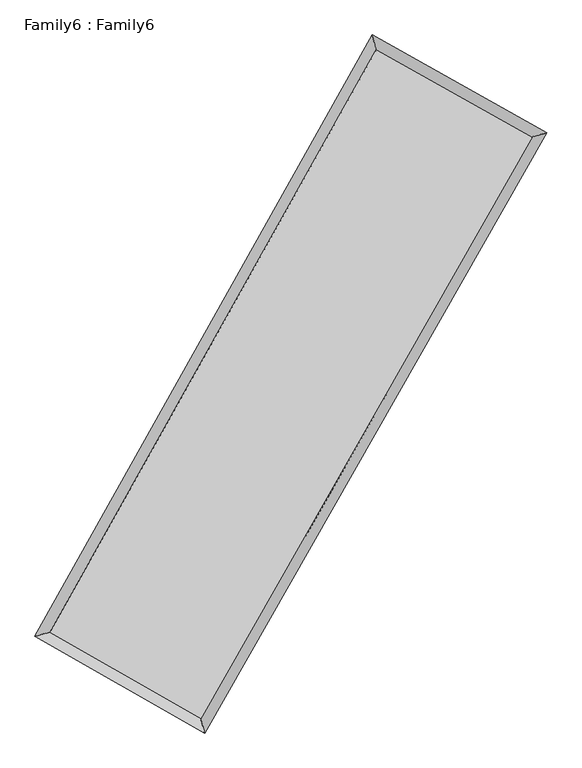
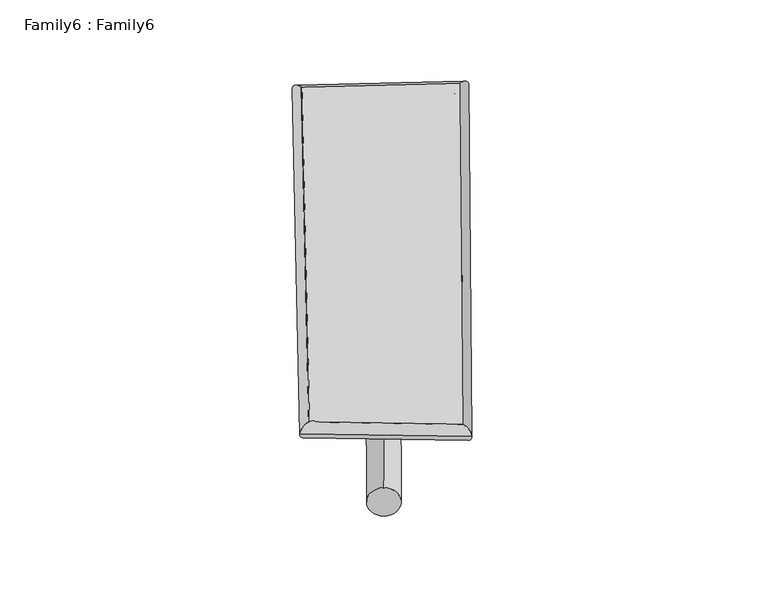
"""IFC4 building model written with IfcOpenShell, lengths in millimetres: plate geometry, Family6 : Family6."""

import ifcopenshell
import ifcopenshell.guid

model = None  # the IFC model being written
_history = None  # IfcOwnerHistory: only IFC2X3 demands one
_inside = {}  # id of a spatial element -> (the spatial element, [elements in it])
_under = {}  # id of a project, library or spatial element -> (it, [spatial elements below it])
_declared = {}  # id of a project -> (the project, [libraries it declares])
_typed = {}  # id of a type object -> (the type object, [elements of that type])
_made_of = {}  # id of a material, layer set ... -> (it, [elements and type objects made of it])


def new_model(schema):
    """Start an empty IFC model of exactly this schema.

    Asked for "IFC4X3", IfcOpenShell would pick the latest addendum, in which some entities
    have other attributes; the version numbers below select the first issue.
    IFC2X3 requires an IfcOwnerHistory on every rooted entity: one is made here for all.
    """
    global model, _history
    if schema == "IFC4X3":
        model = ifcopenshell.file(schema_version=(4, 3, 0, 0))
    else:
        model = ifcopenshell.file(schema=schema)
    _inside.clear()
    _under.clear()
    _declared.clear()
    _typed.clear()
    _made_of.clear()
    _history = None
    if model.schema == "IFC2X3":
        org = make("IfcOrganization", Name="unknown")
        user = make(
            "IfcPersonAndOrganization",
            ThePerson=make("IfcPerson", FamilyName="unknown"),
            TheOrganization=org,
        )
        app = make(
            "IfcApplication",
            ApplicationDeveloper=org,
            Version="unknown",
            ApplicationFullName="unknown",
            ApplicationIdentifier="unknown",
        )
        _history = make(
            "IfcOwnerHistory",
            OwningUser=user,
            OwningApplication=app,
            ChangeAction="ADDED",
            CreationDate=0,
        )
    return model


def make(cls, **values):
    """One entity of the class cls with the attributes given. An attribute that is None is left unset."""
    return model.create_entity(
        cls, **{name: value for name, value in values.items() if value is not None}
    )


def rooted(cls, **values):
    """An entity with a GlobalId (a new one), such as an element, a storey or a relation."""
    return make(cls, GlobalId=ifcopenshell.guid.new(), OwnerHistory=_history, **values)


def si_unit(unit_type, name, prefix=None):
    """IfcSIUnit, for example si_unit("LENGTHUNIT", "METRE", prefix="MILLI")."""
    return make("IfcSIUnit", UnitType=unit_type, Prefix=prefix, Name=name)


def assignment(units):
    """IfcUnitAssignment: the units of a project."""
    return None if units is None else make("IfcUnitAssignment", Units=units)


def point(xyz):
    """IfcCartesianPoint."""
    return None if xyz is None else make("IfcCartesianPoint", Coordinates=xyz)


def direction(xyz):
    """IfcDirection."""
    return None if xyz is None else make("IfcDirection", DirectionRatios=xyz)


def frame(location, z_axis=None, x_axis=None):
    """IfcAxis2Placement3D, a coordinate frame: its origin and axes. An axis left out is left unset."""
    return make(
        "IfcAxis2Placement3D",
        Location=point(location),
        Axis=direction(z_axis),
        RefDirection=direction(x_axis),
    )


def frame_2d(location, x_axis=None):
    """IfcAxis2Placement2D, a coordinate frame in the plane: its origin and x axis."""
    return make(
        "IfcAxis2Placement2D", Location=point(location), RefDirection=direction(x_axis)
    )


def origin():
    """The frame at (0, 0, 0) with its axes left unset."""
    return frame((0.0, 0.0, 0.0))


def origin_2d():
    """The frame at (0, 0) in the plane with its x axis left unset."""
    return frame_2d((0.0, 0.0))


def place(relative_to, where):
    """IfcLocalPlacement: puts the frame where relative to a parent placement (None: the world)."""
    return make(
        "IfcLocalPlacement", PlacementRelTo=relative_to, RelativePlacement=where
    )


def context(
    kind, dimensions, precision=None, world=None, true_north=None, identifier=None
):
    """IfcGeometricRepresentationContext, for example the 3D "Model" context."""
    return make(
        "IfcGeometricRepresentationContext",
        ContextIdentifier=identifier,
        ContextType=kind,
        CoordinateSpaceDimension=dimensions,
        Precision=precision,
        WorldCoordinateSystem=world,
        TrueNorth=true_north,
    )


def project(units=None, contexts=None):
    """IfcProject with its units and contexts."""
    return rooted(
        "IfcProject",
        Name="project",
        RepresentationContexts=contexts,
        UnitsInContext=assignment(units),
    )


def spatial(cls, under=None, at=None, **own):
    """A site, building, storey or space (cls), placed at a placement, below another one or the project."""
    s = rooted(cls, ObjectPlacement=at, **own)
    if under is not None:
        _under.setdefault(under.id(), (under, []))[1].append(s)
    return s


def circle_curve(where, radius):
    """IfcCircle in the frame where."""
    return make("IfcCircle", Position=where, Radius=radius)


def ellipse_curve(where, semi_axis1, semi_axis2):
    """IfcEllipse in the frame where."""
    return make(
        "IfcEllipse", Position=where, SemiAxis1=semi_axis1, SemiAxis2=semi_axis2
    )


def trimmed(basis, trim1, trim2, sense, master):
    """IfcTrimmedCurve: the piece of a basis curve between two trims."""
    return make(
        "IfcTrimmedCurve",
        BasisCurve=basis,
        Trim1=trim1,
        Trim2=trim2,
        SenseAgreement=sense,
        MasterRepresentation=master,
    )


def segment(curve, same_sense, transition):
    """IfcCompositeCurveSegment."""
    return make(
        "IfcCompositeCurveSegment",
        Transition=transition,
        SameSense=same_sense,
        ParentCurve=curve,
    )


def composite_curve(segments, self_intersect=None):
    """IfcCompositeCurve: segments joined end to end."""
    return make("IfcCompositeCurve", Segments=segments, SelfIntersect=self_intersect)


def outline(outer, holes=None, kind="AREA"):
    """IfcArbitraryClosedProfileDef: a profile drawn as a closed curve; with holes, ...WithVoids."""
    if holes is None:
        return make("IfcArbitraryClosedProfileDef", ProfileType=kind, OuterCurve=outer)
    return make(
        "IfcArbitraryProfileDefWithVoids",
        ProfileType=kind,
        OuterCurve=outer,
        InnerCurves=holes,
    )


def extrude(swept, where, along, depth):
    """IfcExtrudedAreaSolid: the profile swept, set in the frame where, extruded along a direction by depth."""
    return make(
        "IfcExtrudedAreaSolid",
        SweptArea=swept,
        Position=where,
        ExtrudedDirection=direction(along),
        Depth=depth,
    )


def shape(context_of_items, identifier, shape_type, items):
    """IfcShapeRepresentation: the items that make up one representation, for example the "Body"."""
    return make(
        "IfcShapeRepresentation",
        ContextOfItems=context_of_items,
        RepresentationIdentifier=identifier,
        RepresentationType=shape_type,
        Items=items,
    )


def source(mapping_origin, context_of_items, identifier, shape_type, items):
    """IfcRepresentationMap: a shape defined once, which mapped items show again and again."""
    return make(
        "IfcRepresentationMap",
        MappingOrigin=mapping_origin,
        MappedRepresentation=shape(context_of_items, identifier, shape_type, items),
    )


def transform(
    local_origin,
    x_axis=None,
    y_axis=None,
    z_axis=None,
    scale=None,
    scale2=None,
    scale3=None,
    uniform=True,
):
    """IfcCartesianTransformationOperator3D, or its non-uniform kind. x_axis, y_axis, z_axis: its Axis1, 2, 3."""
    if uniform:
        return make(
            "IfcCartesianTransformationOperator3D",
            Axis1=direction(x_axis),
            Axis2=direction(y_axis),
            LocalOrigin=point(local_origin),
            Scale=scale,
            Axis3=direction(z_axis),
        )
    return make(
        "IfcCartesianTransformationOperator3DnonUniform",
        Axis1=direction(x_axis),
        Axis2=direction(y_axis),
        LocalOrigin=point(local_origin),
        Scale=scale,
        Axis3=direction(z_axis),
        Scale2=scale2,
        Scale3=scale3,
    )


def mapped(mapping_source, mapping_target):
    """IfcMappedItem: shows the shape of a source again, moved by a transform."""
    return make(
        "IfcMappedItem", MappingSource=mapping_source, MappingTarget=mapping_target
    )


def made_of(thing, what):
    """Note that an element or type object is made of a material, layer set ...; save() writes the relation."""
    if what is not None:
        _made_of.setdefault(what.id(), (what, []))[1].append(thing)
    return thing


def element(
    cls,
    number,
    at=None,
    inside=None,
    cuts=None,
    type_object=None,
    material=None,
    context=None,
    identifier="Body",
    shape_type=None,
    held_by="IfcProductDefinitionShape",
    body=None,
    shapes=None,
    **own,
):
    """One element of the class cls, such as IfcWall. Its Tag is "e" and its number.

    at: its placement. inside: the storey or other place that contains it. cuts: it is an
    opening in that element (IfcRelVoidsElement). A single representation is given by context,
    identifier, shape_type and body (its items); several are given by shapes. held_by: the class
    of the entity that holds the representations. save() writes the other relations.
    """
    e = rooted(cls, Tag="e%d" % number, ObjectPlacement=at, **own)
    if body is not None:
        shapes = [shape(context, identifier, shape_type, body)]
    if shapes is not None:
        e.Representation = make(held_by, Representations=shapes)
    if inside is not None:
        _inside.setdefault(inside.id(), (inside, []))[1].append(e)
    if cuts is not None:
        rooted(
            "IfcRelVoidsElement", RelatingBuildingElement=cuts, RelatedOpeningElement=e
        )
    if type_object is not None:
        _typed.setdefault(type_object.id(), (type_object, []))[1].append(e)
    return made_of(e, material)


def aggregate(whole, parts):
    """IfcRelAggregates: a whole, such as a stair, and the parts it consists of."""
    return rooted("IfcRelAggregates", RelatingObject=whole, RelatedObjects=parts)


def save(model, path):
    """Write the relations noted so far, then the file.

    IfcRelAggregates (storeys below a building ...), IfcRelContainedInSpatialStructure (elements
    in a storey), IfcRelDefinesByType, IfcRelAssociatesMaterial and IfcRelDeclares: one each for
    every whole, place, type object, material and project.
    """
    for whole, parts in _under.values():
        aggregate(whole, parts)
    for where, things in _inside.values():
        rooted(
            "IfcRelContainedInSpatialStructure",
            RelatedElements=things,
            RelatingStructure=where,
        )
    for kind, things in _typed.values():
        rooted("IfcRelDefinesByType", RelatedObjects=things, RelatingType=kind)
    for what, things in _made_of.values():
        rooted("IfcRelAssociatesMaterial", RelatedObjects=things, RelatingMaterial=what)
    for by, libraries in _declared.values():
        rooted("IfcRelDeclares", RelatingContext=by, RelatedDefinitions=libraries)
    model.write(path)


def plane_surface(at):
    """IfcPlane: the flat surface through the origin of the frame at, square to its z axis."""
    return make("IfcPlane", Position=at)


def cylinder_surface(at, radius):
    """IfcCylindricalSurface: all points at the distance radius from the z axis of the frame at."""
    return make("IfcCylindricalSurface", Position=at, Radius=radius)


def spline_surface(u_degree, v_degree, points, u_multiplicities, v_multiplicities, u_knots, v_knots, weights=None):
    """IfcBSplineSurfaceWithKnots; with weights, IfcRationalBSplineSurfaceWithKnots. points: one row for each step in u."""
    own = dict(
        UDegree=u_degree,
        VDegree=v_degree,
        ControlPointsList=[[point(p) for p in row] for row in points],
        SurfaceForm="UNSPECIFIED",
        UClosed=False,
        VClosed=False,
        SelfIntersect=False,
        UMultiplicities=u_multiplicities,
        VMultiplicities=v_multiplicities,
        UKnots=u_knots,
        VKnots=v_knots,
        KnotSpec="UNSPECIFIED",
    )
    if weights is None:
        return make("IfcBSplineSurfaceWithKnots", **own)
    return make("IfcRationalBSplineSurfaceWithKnots", WeightsData=weights, **own)


def advanced_brep(points, edges, surfaces, faces):
    """IfcAdvancedBrep: a solid bounded by faces that lie on surfaces and meet in shared edges.

    An edge is (start, end): straight between two places in points (the first is 0);
    or (start, end, curve); or (start, end, curve, False) where it runs against its curve.
    A face is (place in surfaces, loops), or (place, loops, False) where it looks against
    its surface's normal. A loop lists edges by number (the first is 1), with a minus sign
    where the edge is run from its end to its start. The first loop is the outer one.
    """
    corners = [point(p) for p in points]
    vertices = [make("IfcVertexPoint", VertexGeometry=c) for c in corners]
    made = []
    for start, end, *more in edges:
        made.append(
            make(
                "IfcEdgeCurve",
                EdgeStart=vertices[start],
                EdgeEnd=vertices[end],
                EdgeGeometry=more[0] if more else make("IfcPolyline", Points=[corners[start], corners[end]]),
                SameSense=more[1] if len(more) > 1 else True,
            )
        )
    hull = []
    for where, loops, *sense in faces:
        bounds = []
        for j, loop in enumerate(loops):
            ring = [make("IfcOrientedEdge", EdgeElement=made[abs(k) - 1], Orientation=k > 0) for k in loop]
            bounds.append(
                make(
                    "IfcFaceOuterBound" if j == 0 else "IfcFaceBound",
                    Bound=make("IfcEdgeLoop", EdgeList=ring),
                    Orientation=True,
                )
            )
        hull.append(make("IfcAdvancedFace", Bounds=bounds, FaceSurface=surfaces[where], SameSense=sense[0] if sense else True))
    return make("IfcAdvancedBrep", Outer=make("IfcClosedShell", CfsFaces=hull))


def family6_family6_98619f19(model_context):
    return source(origin(), model_context, "Body", "SolidModel", [
        extrude(outline(composite_curve([segment(trimmed(circle_curve(origin_2d(), 76.2), [point((-75.4341514, -10.7763073))], [point((75.4341514, 10.7763073))], False, "CARTESIAN"), True, "CONTINUOUS"), segment(trimmed(circle_curve(origin_2d(), 76.2), [point((75.4341514, 10.7763073))], [point((-75.4341514, -10.7763073))], False, "CARTESIAN"), True, "CONTINUOUS")], self_intersect=False)), frame((9144.0, 9144.0, 0.0), z_axis=(0.6741136109117851, 0.6847353527329963, 0.276962698392931), x_axis=(-0.6772694896907889, 0.7226465141089228, -0.13815952366811704)), (0.0, 0.0, 1.0), 5606.783874),
        extrude(outline(composite_curve([segment(trimmed(circle_curve(origin_2d(), 76.2), [point((-53.8815367, 53.8815367))], [point((53.8815367, -53.8815367))], False, "CARTESIAN"), True, "CONTINUOUS"), segment(trimmed(circle_curve(origin_2d(), 76.2), [point((53.8815367, -53.8815367))], [point((-53.8815367, 53.8815367))], False, "CARTESIAN"), True, "CONTINUOUS")], self_intersect=False)), frame((9144.0, 9144.0, 0.0), z_axis=(-0.669494333560853, -0.6888344906870159, 0.27800068663560706), x_axis=(0.6456807661171938, -0.35462299264690095, 0.6762683501040617)), (0.0, 0.0, 1.0), 5587.4515844),
        extrude(outline(composite_curve([segment(trimmed(circle_curve(origin_2d(), 76.2), [point((-53.8815367, -53.8815367))], [point((53.8815367, 53.8815367))], False, "CARTESIAN"), True, "CONTINUOUS"), segment(trimmed(circle_curve(origin_2d(), 76.2), [point((53.8815367, 53.8815367))], [point((-53.8815367, -53.8815367))], False, "CARTESIAN"), True, "CONTINUOUS")], self_intersect=False)), frame((9144.0, 9144.0, 0.0), z_axis=(0.2398711484598194, 0.9332466471095029, 0.2674182637656571), x_axis=(-0.8452856929375135, 0.33624951379947526, -0.41524494191352196)), (0.0, 0.0, 1.0), 5581.0519268),
        extrude(outline(composite_curve([segment(trimmed(circle_curve(origin_2d(), 76.2), [point((-75.4341514, 10.7763074))], [point((75.4341514, -10.7763074))], False, "CARTESIAN"), True, "CONTINUOUS"), segment(trimmed(circle_curve(origin_2d(), 76.2), [point((75.4341514, -10.7763074))], [point((-75.4341514, 10.7763074))], False, "CARTESIAN"), True, "CONTINUOUS")], self_intersect=False)), frame((9144.0, 9144.0, 0.0), z_axis=(-0.24617600614843238, -0.9316437884323013, 0.267277431655418), x_axis=(0.8874238601170178, -0.10577812254334444, 0.4486534088650358)), (0.0, 0.0, 1.0), 5581.4255406),
        advanced_brep(
        [(5196.4925069, 5237.9222475, 1549.1579779), (5196.4033098, 5237.7768048, 1559.0385889), (5609.9731435, 5352.4190197, 1557.4727761), (10541.0391687, 14145.0708083, 1498.4105024), (10424.4275019, 14559.9251876, 1486.5399301), (5610.0623405, 5352.5644624, 1547.5921652), (12715.2187954, 12925.3529779, 1552.2063894), (13131.9998505, 13040.9732895, 1553.5335927), (7713.109369, 4152.031646, 1492.9212184), (7826.8645346, 3736.1674829, 1490.6569485)],
        [
            (0, 1, ellipse_curve(frame((5403.2328252, 5295.1706336, 1553.315377), z_axis=(-0.26706844038611505, 0.9636056439108741, 0.01177332462975565), x_axis=(-0.9634127494163736, -0.2672615148530775, 0.02017813025089348)), 214.7257818, 152.4)),
            (1, 2, ellipse_curve(frame((5403.2328252, 5295.1706336, 1553.315377), z_axis=(-0.26706844038611505, 0.9636056439108741, 0.01177332462975565), x_axis=(-0.9634127494163736, -0.2672615148530775, 0.02017813025089348)), 214.7257818, 152.4)),
            (2, 3),
            (3, 4, ellipse_curve(frame((10482.7333353, 14352.497998, 1492.4752162), z_axis=(-0.9625485750327474, -0.2708813732625783, -0.011114059645657978), x_axis=(0.27063962578004336, -0.9624853301355686, 0.019395417795541593)), 215.5549102, 152.4)),
            (4, 0),
            (2, 5, ellipse_curve(frame((5403.2328252, 5295.1706336, 1553.315377), z_axis=(-0.26706844038611505, 0.9636056439108741, 0.01177332462975565), x_axis=(-0.9634127494163736, -0.2672615148530775, 0.02017813025089348)), 214.7257818, 152.4)),
            (5, 0, ellipse_curve(frame((5403.2328252, 5295.1706336, 1553.315377), z_axis=(-0.26706844038611505, 0.9636056439108741, 0.01177332462975565), x_axis=(-0.9634127494163736, -0.2672615148530775, 0.02017813025089348)), 214.7257818, 152.4)),
            (4, 3, ellipse_curve(frame((10482.7333353, 14352.497998, 1492.4752162), z_axis=(-0.9625485750327474, -0.2708813732625783, -0.011114059645657978), x_axis=(0.27063962578004336, -0.9624853301355686, 0.019395417795541593)), 215.5549102, 152.4)),
            (3, 6),
            (6, 7, ellipse_curve(frame((12923.6093229, 12983.1631337, 1552.8699911), z_axis=(-0.26726760756166745, 0.9635579077983171, -0.011143799513289847), x_axis=(-0.9633799227749079, -0.2674418885771521, -0.019338061653084805)), 216.2906017, 152.4)),
            (7, 4),
            (7, 6, ellipse_curve(frame((12923.6093229, 12983.1631337, 1552.8699911), z_axis=(-0.26726760756166745, 0.9635579077983171, -0.011143799513289847), x_axis=(-0.9633799227749079, -0.2674418885771521, -0.019338061653084805)), 216.2906017, 152.4)),
            (6, 8),
            (8, 9, ellipse_curve(frame((7769.9869518, 3944.0995645, 1491.7890835), z_axis=(0.9644810620347931, 0.2638877315367619, -0.011812964091171437), x_axis=(-0.26362371460253853, 0.9644160725246954, 0.020104132789076936)), 215.5976792, 152.4)),
            (9, 7),
            (9, 8, ellipse_curve(frame((7769.9869518, 3944.0995645, 1491.7890835), z_axis=(0.9644810620347931, 0.2638877315367619, -0.011812964091171437), x_axis=(-0.26362371460253853, 0.9644160725246954, 0.020104132789076936)), 215.5976792, 152.4)),
            (8, 5),
            (1, 9),
        ],
        [
            cylinder_surface(frame((5403.2328252, 5295.1706336, 1553.315377), z_axis=(-0.4891371558804225, -0.8721872038564363, 0.005858682983640302), x_axis=(-0.8718194615355469, 0.488708676296392, -0.03308558901542472)), 152.4),
            cylinder_surface(frame((10482.7333353, 14352.497998, 1492.4752162), z_axis=(-0.8719304507788247, 0.48915421003321624, -0.0215742395327414), x_axis=(0.4895211086475302, 0.8718184877848225, -0.01736688069511577)), 152.4),
            cylinder_surface(frame((12923.6093229, 12983.1631337, 1552.8699911), z_axis=(0.49529288014511147, 0.8687062238179962, 0.0058702280567296105), x_axis=(0.8687246641576273, -0.4952928801451114, -0.0015558797441075807)), 152.4),
            cylinder_surface(frame((7769.9869518, 3944.0995645, 1491.7890835), z_axis=(0.8682367682127976, -0.4956364353566578, -0.02257073925113037), x_axis=(-0.4954087081110945, -0.8685278510445194, 0.015152025860780025)), 152.4),
        ],
        [
            (0, [[1, 2, 3, 4, 5]]),
            (0, [[6, 7, -5, 8, -3]]),
            (1, [[-4, 9, 10, 11]]),
            (1, [[-8, -11, 12, -9]]),
            (2, [[-10, 13, 14, 15]]),
            (2, [[-12, -15, 16, -13]]),
            (3, [[-14, 17, -6, -2, 18]]),
            (3, [[-16, -18, -1, -7, -17]]),
        ],
    ),
        extrude(outline(composite_curve([segment(trimmed(circle_curve(origin_2d(), 304.8), [point((0.0, 304.8))], [point((0.0, -304.8))], False, "CARTESIAN"), True, "CONTINUOUS"), segment(trimmed(circle_curve(origin_2d(), 304.8), [point((0.0, -304.8))], [point((0.0, 304.8))], False, "CARTESIAN"), True, "CONTINUOUS")], self_intersect=False)), frame((11741.9816258, 13670.0104751, -0.0358823), z_axis=(-0.49782663789374887, -0.8672765640533185, 6.87578028733151e-06), x_axis=(-0.8672765640786368, 0.49782663789374887, -1.8331224464725948e-06)), (0.0, 0.0, 1.0), 10437.294544),
        advanced_brep(
        [(5403.2328252, 5295.1706336, 1553.315377), (7769.9869518, 3944.0995645, 1491.7890835), (7769.9738522, 3944.1039267, 1644.1890828), (5403.2197256, 5295.1749958, 1705.7153764), (12923.6093229, 12983.1631337, 1552.8699911), (12923.5962233, 12983.1674959, 1705.2699904), (10482.7333353, 14352.497998, 1492.4752162), (10482.7202357, 14352.5023602, 1644.8752156)],
        [
            (0, 1),
            (1, 2),
            (2, 3),
            (3, 0),
            (1, 4),
            (4, 5),
            (5, 2),
            (4, 6),
            (6, 7),
            (7, 5),
            (6, 0),
            (3, 7),
        ],
        [
            plane_surface(frame((6586.6098885, 4619.635099, 1522.5522302), z_axis=(-0.4957630797401145, -0.8684578104037939, -1.7755138255796943e-05), x_axis=(0.8682367682127975, -0.49563643535665775, -0.022570739251130397))),
            plane_surface(frame((10346.7981374, 8463.6313491, 1522.3295373), z_axis=(0.8687209300667988, -0.49530186530019704, 8.88483061186494e-05), x_axis=(0.49529288014511125, 0.8687062238179962, 0.005870228056729587))),
            plane_surface(frame((11703.1713291, 13667.8305658, 1522.6726036), z_axis=(0.48926776593039994, 0.8721336210291128, 1.7091618051233784e-05), x_axis=(-0.8719304507788247, 0.4891542100332161, -0.02157423953274141))),
            plane_surface(frame((7942.9830802, 9823.8343158, 1522.8952966), z_axis=(-0.8722024243127026, 0.48914509412560503, -8.8971330496439e-05), x_axis=(-0.48913715588042245, -0.8721872038564362, 0.005858682983640298))),
            spline_surface(1, 1, [[(7769.9738522, 3944.1039267, 1644.1890828), (5403.2197256, 5295.1749958, 1705.7153764)], [(12923.5962233, 12983.1674959, 1705.2699904), (10482.7202357, 14352.5023602, 1644.8752156)]], [2, 2], [2, 2], [0.0, 1.0], [0.0, 1.0]),
            spline_surface(1, 1, [[(10482.7333353, 14352.497998, 1492.4752162), (5403.2328252, 5295.1706336, 1553.315377)], [(12923.6093229, 12983.1631337, 1552.8699911), (7769.9869518, 3944.0995645, 1491.7890835)]], [2, 2], [2, 2], [0.0, 1.0], [0.0, 1.0]),
        ],
        [
            (0, [[1, 2, 3, 4]]),
            (1, [[5, 6, 7, -2]]),
            (2, [[8, 9, 10, -6]]),
            (3, [[11, -4, 12, -9]]),
            (4, [[-3, -7, -10, -12]]),
            (5, [[-11, -8, -5, -1]]),
        ],
    ),
    ])


if __name__ == "__main__":
    model = new_model("IFC4")
    model_context = context("Model", 3, world=origin())
    ifc_project = project(units=[si_unit("LENGTHUNIT", "METRE", prefix="MILLI")], contexts=[model_context])
    site = spatial("IfcSite", under=ifc_project)
    building = spatial("IfcBuilding", under=site)
    placement = place(None, origin())
    family6_family6_shape = family6_family6_98619f19(model_context)
    element("IfcPlate", 1, ObjectType="Family6 : Family6", at=placement, inside=building, context=model_context, shape_type="MappedRepresentation", body=[
        mapped(family6_family6_shape, transform((0.0, 0.0, 0.0), x_axis=(1.0, 0.0, 0.0), y_axis=(0.0, 1.0, 0.0), z_axis=(0.0, 0.0, 1.0))),
    ])
    save(model, "model.ifc")
